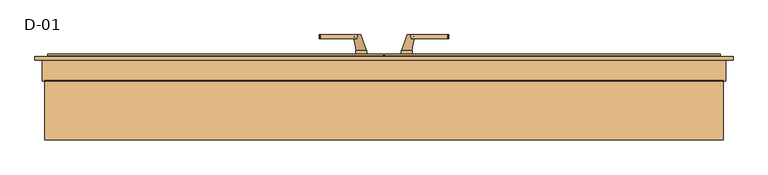
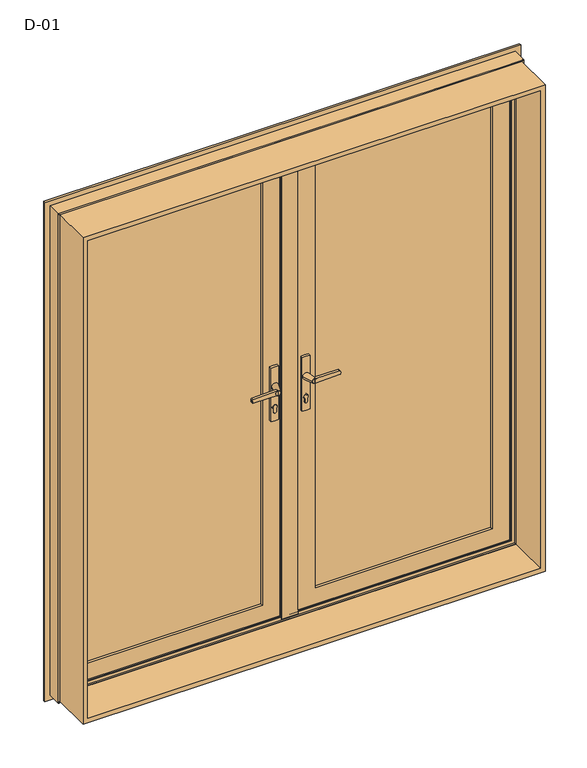
"""IFC4 building model written with IfcOpenShell, lengths in millimetres: door geometry, D-01."""

from ifc_helpers import new_model, si_unit, point, frame, frame_2d, origin, place, context, project, spatial, polyline, circle_curve, ellipse_curve, trimmed, segment, composite_curve, outline, extrude, faceted_brep, source, transform, mapped, element, save
from ifc_brep_helpers import plane_surface, cylinder_surface, revolved_surface, spline_surface, advanced_brep


def d_01_15fbf837(model_context):
    return source(origin(), model_context, "Body", "SolidModel", [
        extrude(outline(polyline([(799.0, 81.0), (89.4409666, 81.0), (89.4409666, 107.0), (799.0, 107.0), (799.0, 81.0)])), frame((0.0, 0.0, 101.0), z_axis=(0.0, 0.0, 1.0), x_axis=(1.0, 0.0, 0.0)), (0.0, 0.0, 1.0), 1798.0),
        extrude(outline(polyline([(1993.8, 893.8), (1993.8, -893.8), (6.2, -893.8), (6.2, 893.8), (1993.8, 893.8)]), holes=[polyline([(24.7, 875.3), (24.7, -875.3), (1975.3, -875.3), (1975.3, 875.3), (24.7, 875.3)])]), frame((0.0, -100.0, 0.0), z_axis=(0.0, 1.0, 0.0), x_axis=(0.0, 0.0, 1.0)), (0.0, 0.0, 1.0), 165.9999813),
        extrude(outline(polyline([(-89.50001, 81.0), (-799.0, 81.0), (-799.0, 107.0), (-89.50001, 107.0), (-89.50001, 81.0)])), frame((0.0, 0.0, 101.0), z_axis=(0.0, 0.0, 1.0), x_axis=(1.0, 0.0, 0.0)), (0.0, 0.0, 1.0), 1798.0),
        advanced_brep(
        [(786.0, 114.7230026, 1886.0), (786.0, 114.7230026, 114.0), (783.8575034, 107.3929004, 116.1424966), (783.8575034, 107.3929004, 1883.8575034), (786.0, 126.0000928, 1886.0), (786.0, 126.0000928, 114.0), (806.0, 107.3929004, 1906.0), (806.0, 107.3929004, 94.0), (806.0, 126.0000928, 94.0), (806.0, 126.0000928, 1906.0), (102.4704883, 114.7230026, 114.0), (104.6129848, 107.3929004, 116.1424966), (102.4704883, 126.0000928, 114.0), (82.4704883, 107.3929004, 94.0), (82.4704883, 126.0000928, 94.0), (102.4704883, 114.7230026, 1886.0), (104.6129848, 107.3929004, 1883.8575034), (102.4704883, 126.0000928, 1886.0), (82.4704883, 107.3929004, 1906.0), (82.4704883, 126.0000928, 1906.0)],
        [
            (0, 1),
            (1, 2, ellipse_curve(frame((766.3925883, 116.4758386, 133.6074117), z_axis=(-0.7071067811865475, 0.0, -0.7071067811865475), x_axis=(0.7071067811865474, 0.0, -0.7071067811865476)), 27.839649, 19.6856046)),
            (2, 3),
            (3, 0, ellipse_curve(frame((766.3925883, 116.4758386, 1866.3925883), z_axis=(-0.7071067811865475, 0.0, 0.7071067811865475), x_axis=(-0.7071067811865474, 0.0, -0.7071067811865476)), 27.839649, 19.6856046)),
            (4, 5),
            (5, 1),
            (0, 4),
            (6, 7),
            (7, 8),
            (8, 9),
            (9, 6),
            (1, 10),
            (10, 11, ellipse_curve(frame((122.0779, 116.4758386, 133.6074117), z_axis=(-0.7071067811865475, 0.0, 0.7071067811865475), x_axis=(-0.7071067811865476, 0.0, -0.7071067811865474)), 27.839649, 19.6856046)),
            (11, 2),
            (5, 12),
            (12, 10),
            (7, 13),
            (13, 14),
            (14, 8),
            (10, 15),
            (15, 16, ellipse_curve(frame((122.0779, 116.4758386, 1866.3925883), z_axis=(0.7071067811865475, 0.0, 0.7071067811865475), x_axis=(-0.7071067811865474, 0.0, 0.7071067811865476)), 27.839649, 19.6856046)),
            (16, 11),
            (12, 17),
            (17, 15),
            (13, 18),
            (18, 19),
            (19, 14),
            (6, 18),
            (16, 3),
            (15, 0),
            (17, 4),
            (19, 9),
        ],
        [
            revolved_surface(polyline([(786.0781929000001, 116.4758386, 113.92180710624666), (786.0781929000001, 116.4758386, 1886.0781928937533)]), (766.3925883, 116.4758386, 1906.0), (0.0, 0.0, -1.0)),
            plane_surface(frame((786.0, 114.7230026, 1886.0), z_axis=(-1.0, 0.0, 0.0), x_axis=(0.0, 0.0, -1.0))),
            plane_surface(frame((806.0, 126.0000928, 1906.0), z_axis=(1.0, 0.0, 0.0), x_axis=(0.0, 0.0, -1.0))),
            revolved_surface(polyline([(102.39229540624672, 116.4758386, 113.9218071), (786.0781928937533, 116.4758386, 113.9218071)]), (806.0, 116.4758386, 133.6074117), (-1.0, 0.0, 0.0)),
            plane_surface(frame((786.0, 114.7230026, 114.0), z_axis=(0.0, 0.0, 1.0), x_axis=(-1.0, 0.0, 0.0))),
            plane_surface(frame((806.0, 126.0000928, 94.0), z_axis=(0.0, 0.0, -1.0), x_axis=(-1.0, 0.0, 0.0))),
            revolved_surface(polyline([(102.3922954, 116.4758386, 1886.0781928937533), (102.3922954, 116.4758386, 113.92180710624672)]), (122.0779, 116.4758386, 94.0), (0.0, 0.0, 1.0)),
            plane_surface(frame((102.4704883, 114.7230026, 114.0), z_axis=(1.0, 0.0, 0.0), x_axis=(0.0, 0.0, 1.0))),
            plane_surface(frame((82.4704883, 126.0000928, 94.0), z_axis=(-1.0, 0.0, 0.0), x_axis=(0.0, 0.0, 1.0))),
            plane_surface(frame((82.4704883, 107.3929004, 1906.0), z_axis=(0.0, -1.0, 0.0), x_axis=(1.0, 0.0, 0.0))),
            revolved_surface(polyline([(786.0781928937533, 116.4758386, 1886.0781929), (102.39229540624672, 116.4758386, 1886.0781929)]), (82.4704883, 116.4758386, 1866.3925883), (1.0, 0.0, 0.0)),
            plane_surface(frame((102.4704883, 114.7230026, 1886.0), z_axis=(0.0, 0.0, -1.0), x_axis=(1.0, 0.0, 0.0))),
            plane_surface(frame((102.4704883, 126.0000928, 1886.0), z_axis=(0.0, 1.0, 0.0), x_axis=(1.0, 0.0, 0.0))),
            plane_surface(frame((82.4704883, 126.0000928, 1906.0), z_axis=(0.0, 0.0, 1.0), x_axis=(1.0, 0.0, 0.0))),
        ],
        [
            (0, [[1, 2, 3, 4]]),
            (1, [[5, 6, -1, 7]]),
            (2, [[8, 9, 10, 11]]),
            (3, [[12, 13, 14, -2]]),
            (4, [[15, 16, -12, -6]]),
            (5, [[17, 18, 19, -9]]),
            (6, [[20, 21, 22, -13]]),
            (7, [[23, 24, -20, -16]]),
            (8, [[25, 26, 27, -18]]),
            (9, [[-8, 28, -25, -17], [-3, -14, -22, 29]]),
            (10, [[30, -4, -29, -21]]),
            (11, [[31, -7, -30, -24]]),
            (12, [[-10, -19, -27, 32], [-5, -31, -23, -15]]),
            (13, [[-28, -11, -32, -26]]),
        ],
    ),
        extrude(outline(composite_curve([segment(polyline([(895.7, 64.970481), (908.3261365, 64.970481)]), True, "CONTINUOUS"), segment(trimmed(circle_curve(frame_2d((915.2, 59.970481)), 8.5), [point((908.3261365, 64.970481))], [point((908.3261365, 54.970481))], False, "CARTESIAN"), True, "CONTINUOUS"), segment(polyline([(908.3261365, 54.970481), (895.7, 54.970481)]), True, "CONTINUOUS"), segment(trimmed(circle_curve(frame_2d((895.7, 59.970481)), 5.0), [point((895.7, 54.970481))], [point((895.7, 64.970481))], False, "CARTESIAN"), True, "CONTINUOUS")], self_intersect=False)), frame((0.0, 58.0000848, 0.0), z_axis=(0.0, 1.0, 0.0), x_axis=(0.0, 0.0, 1.0)), (0.0, 0.0, 1.0), 11.0),
        extrude(outline(composite_curve([segment(trimmed(circle_curve(frame_2d((956.1155661, 59.970481)), 97.2636214), [point((860.0, 45.070481))], [point((860.0, 74.870481))], False, "CARTESIAN"), True, "CONTINUOUS"), segment(polyline([(860.0, 74.870481), (1078.5, 74.870481)]), True, "CONTINUOUS"), segment(trimmed(circle_curve(frame_2d((982.3844339, 59.970481)), 97.2636214), [point((1078.5, 74.870481))], [point((1078.5, 45.070481))], False, "CARTESIAN"), True, "CONTINUOUS"), segment(polyline([(1078.5, 45.070481), (860.0, 45.070481)]), True, "CONTINUOUS")], self_intersect=False), holes=[composite_curve([segment(polyline([(895.7, 54.970481), (908.3261365, 54.970481)]), True, "CONTINUOUS"), segment(trimmed(circle_curve(frame_2d((915.2, 59.970481)), 8.5), [point((908.3261365, 54.970481))], [point((908.3261365, 64.970481))], True, "CARTESIAN"), True, "CONTINUOUS"), segment(polyline([(908.3261365, 64.970481), (895.7, 64.970481)]), True, "CONTINUOUS"), segment(trimmed(circle_curve(frame_2d((895.7, 59.970481)), 5.0), [point((895.7, 64.970481))], [point((895.7, 54.970481))], True, "CARTESIAN"), True, "CONTINUOUS")], self_intersect=False)]), frame((0.0, 59.0000848, 0.0), z_axis=(0.0, 1.0, 0.0), x_axis=(0.0, 0.0, 1.0)), (0.0, 0.0, 1.0), 10.0),
        extrude(outline(composite_curve([segment(polyline([(1009.5, 70.970481), (990.5, 70.970481), (993.0308731, 167.6206253)]), True, "CONTINUOUS"), segment(trimmed(circle_curve(frame_2d((995.0301877, 167.5682714)), 2.0), [point((993.0308731, 167.6206253))], [point((994.5125497, 169.5001231))], False, "CARTESIAN"), True, "CONTINUOUS"), segment(polyline([(994.5125497, 169.5001231), (1000.0, 170.970481), (1005.4874503, 169.5001231)]), True, "CONTINUOUS"), segment(trimmed(circle_curve(frame_2d((1004.9698123, 167.5682714)), 2.0), [point((1005.4874503, 169.5001231))], [point((1006.9691269, 167.6206253))], False, "CARTESIAN"), True, "CONTINUOUS"), segment(polyline([(1006.9691269, 167.6206253), (1009.5, 70.970481)]), True, "CONTINUOUS")], self_intersect=False)), frame((0.0, 18.0000848, 0.0), z_axis=(0.0, 1.0, 0.0), x_axis=(0.0, 0.0, 1.0)), (0.0, 0.0, 1.0), 10.0),
        advanced_brep(
        [(61.470481, 18.0000848, 1000.0), (80.470481, 18.0000848, 1000.0), (46.570481, 59.0000848, 1000.0), (73.370481, 59.0000848, 1000.0)],
        [
            (0, 1, circle_curve(frame((70.970481, 18.0000848, 1000.0), z_axis=(0.0, -1.0, 0.0), x_axis=(1.0, 0.0, 0.0)), 9.5)),
            (1, 0, circle_curve(frame((70.970481, 18.0000848, 1000.0), z_axis=(0.0, -1.0, 0.0), x_axis=(1.0, 0.0, 0.0)), 9.5)),
            (2, 3, circle_curve(frame((59.970481, 59.0000848, 1000.0), z_axis=(0.0, 1.0, 0.0), x_axis=(1.0, 0.0, 0.0)), 13.4)),
            (3, 2, circle_curve(frame((59.970481, 59.0000848, 1000.0), z_axis=(0.0, 1.0, 0.0), x_axis=(1.0, 0.0, 0.0)), 13.4)),
            (3, 1),
            (0, 2),
        ],
        [
            plane_surface(frame((70.970481, 18.0000848, 1000.0), z_axis=(0.0, -1.0, 0.0), x_axis=(0.0, 0.0, -1.0))),
            plane_surface(frame((59.970481, 59.0000848, 1000.0), z_axis=(0.0, 1.0, 0.0), x_axis=(0.0, 0.0, -1.0))),
            spline_surface(2, 1, [[(46.570481, 59.0000848, 1000.0), (61.470481, 18.0000848, 1000.0)], [(46.570481, 59.0000848, 986.6), (61.470481, 18.0000848, 990.5)], [(59.970481, 59.0000848, 986.6), (70.970481, 18.0000848, 990.5)], [(73.370481, 59.0000848, 986.6), (80.470481, 18.0000848, 990.5)], [(73.370481, 59.0000848, 1000.0), (80.470481, 18.0000848, 1000.0)]], [3, 2, 3], [2, 2], [0.0, 1.0, 2.0], [0.0, 1.0], weights=[[1.0, 1.0], [0.7071067811865476, 0.7071067811865476], [1.0, 1.0], [0.7071067811865476, 0.7071067811865476], [1.0, 1.0]]),
            spline_surface(2, 1, [[(73.370481, 59.0000848, 1000.0), (80.470481, 18.0000848, 1000.0)], [(73.370481, 59.0000848, 1013.4), (80.470481, 18.0000848, 1009.5)], [(59.970481, 59.0000848, 1013.4), (70.970481, 18.0000848, 1009.5)], [(46.570481, 59.0000848, 1013.4), (61.47048100000001, 18.0000848, 1009.5)], [(46.570481, 59.0000848, 1000.0), (61.470481, 18.0000848, 1000.0)]], [3, 2, 3], [2, 2], [0.0, 1.0, 2.0], [0.0, 1.0], weights=[[1.0, 1.0], [0.7071067811865476, 0.7071067811865476], [1.0, 1.0], [0.7071067811865476, 0.7071067811865476], [1.0, 1.0]]),
        ],
        [
            (0, [[1, 2]]),
            (1, [[3, 4]]),
            (2, [[-4, 5, -1, 6]]),
            (3, [[-3, -6, -2, -5]]),
        ],
    ),
        extrude(outline(composite_curve([segment(polyline([(895.7, 64.970481), (908.3261365, 64.970481)]), True, "CONTINUOUS"), segment(trimmed(circle_curve(frame_2d((915.2, 59.970481)), 8.5), [point((908.3261365, 64.970481))], [point((908.3261365, 54.970481))], False, "CARTESIAN"), True, "CONTINUOUS"), segment(polyline([(908.3261365, 54.970481), (895.7, 54.970481)]), True, "CONTINUOUS"), segment(trimmed(circle_curve(frame_2d((895.7, 59.970481)), 5.0), [point((895.7, 54.970481))], [point((895.7, 64.970481))], False, "CARTESIAN"), True, "CONTINUOUS")], self_intersect=False)), frame((0.0, 126.0000927, 0.0), z_axis=(0.0, 1.0, 0.0), x_axis=(0.0, 0.0, 1.0)), (0.0, 0.0, 1.0), 11.0),
        extrude(outline(composite_curve([segment(trimmed(circle_curve(frame_2d((956.1155661, 59.970481)), 97.2636214), [point((860.0, 45.070481))], [point((860.0, 74.870481))], False, "CARTESIAN"), True, "CONTINUOUS"), segment(polyline([(860.0, 74.870481), (1078.5, 74.870481)]), True, "CONTINUOUS"), segment(trimmed(circle_curve(frame_2d((982.3844339, 59.970481)), 97.2636214), [point((1078.5, 74.870481))], [point((1078.5, 45.070481))], False, "CARTESIAN"), True, "CONTINUOUS"), segment(polyline([(1078.5, 45.070481), (860.0, 45.070481)]), True, "CONTINUOUS")], self_intersect=False), holes=[composite_curve([segment(polyline([(895.7, 54.970481), (908.3261365, 54.970481)]), True, "CONTINUOUS"), segment(trimmed(circle_curve(frame_2d((915.2, 59.970481)), 8.5), [point((908.3261365, 54.970481))], [point((908.3261365, 64.970481))], True, "CARTESIAN"), True, "CONTINUOUS"), segment(polyline([(908.3261365, 64.970481), (895.7, 64.970481)]), True, "CONTINUOUS"), segment(trimmed(circle_curve(frame_2d((895.7, 59.970481)), 5.0), [point((895.7, 64.970481))], [point((895.7, 54.970481))], True, "CARTESIAN"), True, "CONTINUOUS")], self_intersect=False)]), frame((0.0, 126.0000927, 0.0), z_axis=(0.0, 1.0, 0.0), x_axis=(0.0, 0.0, 1.0)), (0.0, 0.0, 1.0), 10.0),
        extrude(outline(composite_curve([segment(polyline([(1009.5, 70.970481), (990.5, 70.970481), (993.0308731, 167.6206253)]), True, "CONTINUOUS"), segment(trimmed(circle_curve(frame_2d((995.0301877, 167.5682714)), 2.0), [point((993.0308731, 167.6206253))], [point((994.5125497, 169.5001231))], False, "CARTESIAN"), True, "CONTINUOUS"), segment(polyline([(994.5125497, 169.5001231), (1000.0, 170.970481), (1005.4874503, 169.5001231)]), True, "CONTINUOUS"), segment(trimmed(circle_curve(frame_2d((1004.9698123, 167.5682714)), 2.0), [point((1005.4874503, 169.5001231))], [point((1006.9691269, 167.6206253))], False, "CARTESIAN"), True, "CONTINUOUS"), segment(polyline([(1006.9691269, 167.6206253), (1009.5, 70.970481)]), True, "CONTINUOUS")], self_intersect=False)), frame((0.0, 167.0000927, 0.0), z_axis=(0.0, 1.0, 0.0), x_axis=(0.0, 0.0, 1.0)), (0.0, 0.0, 1.0), 10.0),
        advanced_brep(
        [(61.470481, 177.0000927, 1000.0), (80.470481, 177.0000927, 1000.0), (46.570481, 136.0000927, 1000.0), (73.370481, 136.0000927, 1000.0)],
        [
            (0, 1, circle_curve(frame((70.970481, 177.0000927, 1000.0), z_axis=(0.0, 1.0, 0.0), x_axis=(1.0, 0.0, 0.0)), 9.5)),
            (1, 0, circle_curve(frame((70.970481, 177.0000927, 1000.0), z_axis=(0.0, 1.0, 0.0), x_axis=(1.0, 0.0, 0.0)), 9.5)),
            (2, 3, circle_curve(frame((59.970481, 136.0000927, 1000.0), z_axis=(0.0, -1.0, 0.0), x_axis=(1.0, 0.0, 0.0)), 13.4)),
            (3, 2, circle_curve(frame((59.970481, 136.0000927, 1000.0), z_axis=(0.0, -1.0, 0.0), x_axis=(1.0, 0.0, 0.0)), 13.4)),
            (2, 0),
            (1, 3),
        ],
        [
            plane_surface(frame((70.970481, 177.0000927, 1000.0), z_axis=(0.0, 1.0, 0.0), x_axis=(0.0, 0.0, -1.0))),
            plane_surface(frame((59.970481, 136.0000927, 1000.0), z_axis=(0.0, -1.0, 0.0), x_axis=(0.0, 0.0, -1.0))),
            spline_surface(1, 2, [[(46.570481, 136.0000927, 1000.0), (46.570481, 136.0000927, 986.6), (59.970481, 136.0000927, 986.6), (73.370481, 136.0000927, 986.6), (73.370481, 136.0000927, 1000.0)], [(61.470481, 177.0000927, 1000.0), (61.470481, 177.0000927, 990.5), (70.970481, 177.0000927, 990.5), (80.470481, 177.0000927, 990.5), (80.470481, 177.0000927, 1000.0)]], [2, 2], [3, 2, 3], [0.0, 1.0], [0.0, 1.0, 2.0], weights=[[1.0, 0.7071067811865476, 1.0, 0.7071067811865476, 1.0], [1.0, 0.7071067811865476, 1.0, 0.7071067811865476, 1.0]]),
            spline_surface(1, 2, [[(73.370481, 136.0000927, 1000.0), (73.370481, 136.0000927, 1013.4), (59.970481, 136.0000927, 1013.4), (46.570481, 136.0000927, 1013.4), (46.570481, 136.0000927, 1000.0)], [(80.470481, 177.0000927, 1000.0), (80.470481, 177.0000927, 1009.5), (70.970481, 177.0000927, 1009.5), (61.47048100000001, 177.0000927, 1009.5), (61.470481, 177.0000927, 1000.0)]], [2, 2], [3, 2, 3], [0.0, 1.0], [0.0, 1.0, 2.0], weights=[[1.0, 0.7071067811865476, 1.0, 0.7071067811865476, 1.0], [1.0, 0.7071067811865476, 1.0, 0.7071067811865476, 1.0]]),
        ],
        [
            (0, [[1, 2]]),
            (1, [[3, 4]]),
            (2, [[5, -2, 6, -3]]),
            (3, [[-6, -1, -5, -4]]),
        ],
    ),
        faceted_brep([(886.029509, 122.4000726, 1986.029509), (886.029509, 122.4000726, 13.970491), (886.029509, 126.0000927, 13.970491), (886.029509, 126.0000927, 1986.029509), (2.470491, 126.0000927, 1986.029509), (2.470491, 126.0000927, 13.970491), (806.0295117, 126.0000927, 1906.0295117), (82.4704883, 126.0000927, 1906.0295117), (82.4704883, 126.0000927, 93.9704883), (806.0295117, 126.0000927, 93.9704883), (2.470491, 122.4000726, 13.970491), (2.470491, 122.4000726, 1986.029509), (19.970481, 122.4000726, 1968.529519), (868.529519, 122.4000726, 1968.529519), (868.529519, 122.4000726, 31.470481), (19.970481, 122.4000726, 31.470481), (868.529519, 75.9989223, 1968.529519), (868.529519, 75.9989223, 31.470481), (19.970481, 75.9989223, 31.470481), (19.970481, 75.9989223, 1968.529519), (35.4647842, 75.9989223, 1953.0352158), (853.0352158, 75.9989223, 1953.0352158), (853.0352158, 75.9989223, 46.9647842), (35.4647842, 75.9989223, 46.9647842), (853.0352158, 69.0000848, 1953.0352158), (853.0352158, 69.0000848, 46.9647842), (35.4647842, 69.0000848, 46.9647842), (35.4647842, 69.0000848, 1953.0352158), (102.4699136, 69.0000848, 1886.0300864), (786.0300864, 69.0000848, 1886.0300864), (786.0300864, 69.0000848, 113.9699136), (102.4699136, 69.0000848, 113.9699136), (786.0300864, 79.598921, 1886.0300864), (786.0300864, 79.598921, 113.9699136), (102.4699136, 79.598921, 113.9699136), (82.4704883, 79.598921, 1906.0295117), (806.0295117, 79.598921, 1906.0295117), (806.0295117, 79.598921, 93.9704883), (82.4704883, 79.598921, 93.9704883), (102.4699136, 79.598921, 1886.0300864)], [[[0, 1, 2, 3]], [[4, 3, 2, 5], [6, 7, 8, 9]], [[1, 10, 5, 2]], [[0, 11, 10, 1], [12, 13, 14, 15]], [[16, 17, 14, 13]], [[17, 18, 15, 14]], [[16, 19, 18, 17], [20, 21, 22, 23]], [[24, 25, 22, 21]], [[25, 26, 23, 22]], [[24, 27, 26, 25], [28, 29, 30, 31]], [[32, 33, 30, 29]], [[33, 34, 31, 30]], [[35, 36, 37, 38], [32, 39, 34, 33]], [[6, 9, 37, 36]], [[9, 8, 38, 37]], [[10, 11, 4, 5]], [[18, 19, 12, 15]], [[26, 27, 20, 23]], [[34, 39, 28, 31]], [[8, 7, 35, 38]], [[11, 0, 3, 4]], [[19, 16, 13, 12]], [[27, 24, 21, 20]], [[39, 32, 29, 28]], [[7, 6, 36, 35]]]),
        extrude(outline(polyline([(-28.4962639, 68.9989893), (-28.4962639, 72.5989893), (-15.2962639, 72.5989893), (-15.2962639, 81.6999341), (-8.4962639, 81.6999341), (-8.4962639, 118.9999096), (2.5075939, 118.9999096), (2.5075939, 122.1998218), (19.8037267, 122.1998218), (19.8037267, 75.5998975), (35.6037419, 75.5998975), (35.6037419, 68.9989893), (-28.4962639, 68.9989893)])), frame((0.0, 0.0, 31.470481), z_axis=(0.0, 0.0, 1.0), x_axis=(1.0, 0.0, 0.0)), (0.0, 0.0, 1.0), 1937.0590381),
        extrude(outline(composite_curve([segment(trimmed(circle_curve(frame_2d((895.7, -60.0)), 5.0), [point((895.7, -65.0))], [point((895.7, -55.0))], False, "CARTESIAN"), True, "CONTINUOUS"), segment(polyline([(895.7, -55.0), (908.3261365, -55.0)]), True, "CONTINUOUS"), segment(trimmed(circle_curve(frame_2d((915.2, -60.0)), 8.5), [point((908.3261365, -55.0))], [point((908.3261365, -65.0))], False, "CARTESIAN"), True, "CONTINUOUS"), segment(polyline([(908.3261365, -65.0), (895.7, -65.0)]), True, "CONTINUOUS")], self_intersect=False)), frame((0.0, 58.0000848, 0.0), z_axis=(0.0, 1.0, 0.0), x_axis=(0.0, 0.0, 1.0)), (0.0, 0.0, 1.0), 11.0),
        extrude(outline(composite_curve([segment(polyline([(860.0, -45.1), (1078.5, -45.1)]), True, "CONTINUOUS"), segment(trimmed(circle_curve(frame_2d((982.3844339, -60.0)), 97.2636214), [point((1078.5, -45.1))], [point((1078.5, -74.9))], False, "CARTESIAN"), True, "CONTINUOUS"), segment(polyline([(1078.5, -74.9), (860.0, -74.9)]), True, "CONTINUOUS"), segment(trimmed(circle_curve(frame_2d((956.1155661, -60.0)), 97.2636214), [point((860.0, -74.9))], [point((860.0, -45.1))], False, "CARTESIAN"), True, "CONTINUOUS")], self_intersect=False), holes=[composite_curve([segment(trimmed(circle_curve(frame_2d((895.7, -60.0)), 5.0), [point((895.7, -55.0))], [point((895.7, -65.0))], True, "CARTESIAN"), True, "CONTINUOUS"), segment(polyline([(895.7, -65.0), (908.3261365, -65.0)]), True, "CONTINUOUS"), segment(trimmed(circle_curve(frame_2d((915.2, -60.0)), 8.5), [point((908.3261365, -65.0))], [point((908.3261365, -55.0))], True, "CARTESIAN"), True, "CONTINUOUS"), segment(polyline([(908.3261365, -55.0), (895.7, -55.0)]), True, "CONTINUOUS")], self_intersect=False)]), frame((0.0, 59.0000848, 0.0), z_axis=(0.0, 1.0, 0.0), x_axis=(0.0, 0.0, 1.0)), (0.0, 0.0, 1.0), 10.0),
        extrude(outline(composite_curve([segment(polyline([(1009.5, -71.0), (1006.9691269, -167.6501444)]), True, "CONTINUOUS"), segment(trimmed(circle_curve(frame_2d((1004.9698123, -167.5977905)), 2.0), [point((1006.9691269, -167.6501444))], [point((1005.4874503, -169.5296421))], False, "CARTESIAN"), True, "CONTINUOUS"), segment(polyline([(1005.4874503, -169.5296421), (1000.0, -171.0), (994.5125497, -169.5296421)]), True, "CONTINUOUS"), segment(trimmed(circle_curve(frame_2d((995.0301877, -167.5977905)), 2.0), [point((994.5125497, -169.5296421))], [point((993.0308731, -167.6501444))], False, "CARTESIAN"), True, "CONTINUOUS"), segment(polyline([(993.0308731, -167.6501444), (990.5, -71.0), (1009.5, -71.0)]), True, "CONTINUOUS")], self_intersect=False)), frame((0.0, 18.0000848, 0.0), z_axis=(0.0, 1.0, 0.0), x_axis=(0.0, 0.0, 1.0)), (0.0, 0.0, 1.0), 10.0),
        advanced_brep(
        [(-61.5, 18.0000848, 1000.0), (-80.5, 18.0000848, 1000.0), (-46.6, 59.0000848, 1000.0), (-73.4, 59.0000848, 1000.0)],
        [
            (0, 1, circle_curve(frame((-71.0, 18.0000848, 1000.0), z_axis=(0.0, -1.0, 0.0), x_axis=(-1.0, 0.0, 0.0)), 9.5)),
            (1, 0, circle_curve(frame((-71.0, 18.0000848, 1000.0), z_axis=(0.0, -1.0, 0.0), x_axis=(-1.0, 0.0, 0.0)), 9.5)),
            (2, 3, circle_curve(frame((-60.0, 59.0000848, 1000.0), z_axis=(0.0, 1.0, 0.0), x_axis=(-1.0, 0.0, 0.0)), 13.4)),
            (3, 2, circle_curve(frame((-60.0, 59.0000848, 1000.0), z_axis=(0.0, 1.0, 0.0), x_axis=(-1.0, 0.0, 0.0)), 13.4)),
            (2, 0),
            (1, 3),
        ],
        [
            plane_surface(frame((-71.0, 18.0000848, 1000.0), z_axis=(0.0, -1.0, 0.0), x_axis=(0.0, 0.0, -1.0))),
            plane_surface(frame((-60.0, 59.0000848, 1000.0), z_axis=(0.0, 1.0, 0.0), x_axis=(0.0, 0.0, -1.0))),
            spline_surface(1, 2, [[(-46.6, 59.0000848, 1000.0), (-46.6, 59.0000848, 986.6), (-60.0, 59.0000848, 986.6), (-73.4, 59.0000848, 986.6), (-73.4, 59.0000848, 1000.0)], [(-61.5, 18.0000848, 1000.0), (-61.5, 18.0000848, 990.5), (-71.0, 18.0000848, 990.5), (-80.5, 18.0000848, 990.5), (-80.5, 18.0000848, 1000.0)]], [2, 2], [3, 2, 3], [0.0, 1.0], [0.0, 1.0, 2.0], weights=[[1.0, 0.7071067811865476, 1.0, 0.7071067811865477, 1.0], [1.0, 0.7071067811865476, 1.0, 0.7071067811865477, 1.0]]),
            spline_surface(1, 2, [[(-73.4, 59.0000848, 1000.0), (-73.4, 59.0000848, 1013.4), (-60.0, 59.0000848, 1013.4), (-46.599999999999994, 59.0000848, 1013.4), (-46.6, 59.0000848, 1000.0)], [(-80.5, 18.0000848, 1000.0), (-80.5, 18.0000848, 1009.5), (-71.0, 18.0000848, 1009.5), (-61.5, 18.0000848, 1009.5), (-61.5, 18.0000848, 1000.0)]], [2, 2], [3, 2, 3], [0.0, 1.0], [0.0, 1.0, 2.0], weights=[[1.0, 0.7071067811865476, 1.0, 0.7071067811865474, 1.0], [1.0, 0.7071067811865476, 1.0, 0.7071067811865474, 1.0]]),
        ],
        [
            (0, [[1, 2]]),
            (1, [[3, 4]]),
            (2, [[5, -2, 6, -3]]),
            (3, [[-6, -1, -5, -4]]),
        ],
    ),
        extrude(outline(composite_curve([segment(trimmed(circle_curve(frame_2d((895.7, -60.0)), 5.0), [point((895.7, -65.0))], [point((895.7, -55.0))], False, "CARTESIAN"), True, "CONTINUOUS"), segment(polyline([(895.7, -55.0), (908.3261365, -55.0)]), True, "CONTINUOUS"), segment(trimmed(circle_curve(frame_2d((915.2, -60.0)), 8.5), [point((908.3261365, -55.0))], [point((908.3261365, -65.0))], False, "CARTESIAN"), True, "CONTINUOUS"), segment(polyline([(908.3261365, -65.0), (895.7, -65.0)]), True, "CONTINUOUS")], self_intersect=False)), frame((0.0, 126.0000927, 0.0), z_axis=(0.0, 1.0, 0.0), x_axis=(0.0, 0.0, 1.0)), (0.0, 0.0, 1.0), 11.0),
        extrude(outline(composite_curve([segment(polyline([(860.0, -45.1), (1078.5, -45.1)]), True, "CONTINUOUS"), segment(trimmed(circle_curve(frame_2d((982.3844339, -60.0)), 97.2636214), [point((1078.5, -45.1))], [point((1078.5, -74.9))], False, "CARTESIAN"), True, "CONTINUOUS"), segment(polyline([(1078.5, -74.9), (860.0, -74.9)]), True, "CONTINUOUS"), segment(trimmed(circle_curve(frame_2d((956.1155661, -60.0)), 97.2636214), [point((860.0, -74.9))], [point((860.0, -45.1))], False, "CARTESIAN"), True, "CONTINUOUS")], self_intersect=False), holes=[composite_curve([segment(trimmed(circle_curve(frame_2d((895.7, -60.0)), 5.0), [point((895.7, -55.0))], [point((895.7, -65.0))], True, "CARTESIAN"), True, "CONTINUOUS"), segment(polyline([(895.7, -65.0), (908.3261365, -65.0)]), True, "CONTINUOUS"), segment(trimmed(circle_curve(frame_2d((915.2, -60.0)), 8.5), [point((908.3261365, -65.0))], [point((908.3261365, -55.0))], True, "CARTESIAN"), True, "CONTINUOUS"), segment(polyline([(908.3261365, -55.0), (895.7, -55.0)]), True, "CONTINUOUS")], self_intersect=False)]), frame((0.0, 126.0000927, 0.0), z_axis=(0.0, 1.0, 0.0), x_axis=(0.0, 0.0, 1.0)), (0.0, 0.0, 1.0), 10.0),
        extrude(outline(composite_curve([segment(polyline([(1009.5, -71.0), (1006.9691269, -167.6501444)]), True, "CONTINUOUS"), segment(trimmed(circle_curve(frame_2d((1004.9698123, -167.5977905)), 2.0), [point((1006.9691269, -167.6501444))], [point((1005.4874503, -169.5296421))], False, "CARTESIAN"), True, "CONTINUOUS"), segment(polyline([(1005.4874503, -169.5296421), (1000.0, -171.0), (994.5125497, -169.5296421)]), True, "CONTINUOUS"), segment(trimmed(circle_curve(frame_2d((995.0301877, -167.5977905)), 2.0), [point((994.5125497, -169.5296421))], [point((993.0308731, -167.6501444))], False, "CARTESIAN"), True, "CONTINUOUS"), segment(polyline([(993.0308731, -167.6501444), (990.5, -71.0), (1009.5, -71.0)]), True, "CONTINUOUS")], self_intersect=False)), frame((0.0, 167.0000927, 0.0), z_axis=(0.0, 1.0, 0.0), x_axis=(0.0, 0.0, 1.0)), (0.0, 0.0, 1.0), 10.0),
        advanced_brep(
        [(-61.5, 177.0000927, 1000.0), (-80.5, 177.0000927, 1000.0), (-46.6, 136.0000927, 1000.0), (-73.4, 136.0000927, 1000.0)],
        [
            (0, 1, circle_curve(frame((-71.0, 177.0000927, 1000.0), z_axis=(0.0, 1.0, 0.0), x_axis=(-1.0, 0.0, 0.0)), 9.5)),
            (1, 0, circle_curve(frame((-71.0, 177.0000927, 1000.0), z_axis=(0.0, 1.0, 0.0), x_axis=(-1.0, 0.0, 0.0)), 9.5)),
            (2, 3, circle_curve(frame((-60.0, 136.0000927, 1000.0), z_axis=(0.0, -1.0, 0.0), x_axis=(-1.0, 0.0, 0.0)), 13.4)),
            (3, 2, circle_curve(frame((-60.0, 136.0000927, 1000.0), z_axis=(0.0, -1.0, 0.0), x_axis=(-1.0, 0.0, 0.0)), 13.4)),
            (3, 1),
            (0, 2),
        ],
        [
            plane_surface(frame((-71.0, 177.0000927, 1000.0), z_axis=(0.0, 1.0, 0.0), x_axis=(0.0, 0.0, -1.0))),
            plane_surface(frame((-60.0, 136.0000927, 1000.0), z_axis=(0.0, -1.0, 0.0), x_axis=(0.0, 0.0, -1.0))),
            spline_surface(2, 1, [[(-46.6, 136.0000927, 1000.0), (-61.5, 177.0000927, 1000.0)], [(-46.6, 136.0000927, 986.6), (-61.5, 177.0000927, 990.5)], [(-60.0, 136.0000927, 986.6), (-71.0, 177.0000927, 990.5)], [(-73.4, 136.0000927, 986.6), (-80.5, 177.0000927, 990.5)], [(-73.4, 136.0000927, 1000.0), (-80.5, 177.0000927, 1000.0)]], [3, 2, 3], [2, 2], [0.0, 1.0, 2.0], [0.0, 1.0], weights=[[1.0, 1.0], [0.7071067811865476, 0.7071067811865476], [1.0, 1.0], [0.7071067811865477, 0.7071067811865477], [1.0, 1.0]]),
            spline_surface(2, 1, [[(-73.4, 136.0000927, 1000.0), (-80.5, 177.0000927, 1000.0)], [(-73.4, 136.0000927, 1013.4), (-80.5, 177.0000927, 1009.5)], [(-60.0, 136.0000927, 1013.4), (-71.0, 177.0000927, 1009.5)], [(-46.599999999999994, 136.0000927, 1013.4), (-61.5, 177.0000927, 1009.5)], [(-46.6, 136.0000927, 1000.0), (-61.5, 177.0000927, 1000.0)]], [3, 2, 3], [2, 2], [0.0, 1.0, 2.0], [0.0, 1.0], weights=[[1.0, 1.0], [0.7071067811865476, 0.7071067811865476], [1.0, 1.0], [0.7071067811865474, 0.7071067811865474], [1.0, 1.0]]),
        ],
        [
            (0, [[1, 2]]),
            (1, [[3, 4]]),
            (2, [[-4, 5, -1, 6]]),
            (3, [[-3, -6, -2, -5]]),
        ],
    ),
        faceted_brep([(-2.470491, 122.4000726, 1986.029509), (-2.470491, 122.4000726, 13.970491), (-2.470491, 126.0000927, 13.970491), (-2.470491, 126.0000927, 1986.029509), (-886.029509, 126.0000927, 1986.029509), (-886.029509, 126.0000927, 13.970491), (-82.4704883, 126.0000927, 1906.0295117), (-806.0295117, 126.0000927, 1906.0295117), (-806.0295117, 126.0000927, 93.9704883), (-82.4704883, 126.0000927, 93.9704883), (-886.029509, 122.4000726, 13.970491), (-886.029509, 122.4000726, 1986.029509), (-868.529519, 122.4000726, 1968.529519), (-19.970481, 122.4000726, 1968.529519), (-19.970481, 122.4000726, 31.470481), (-868.529519, 122.4000726, 31.470481), (-19.970481, 75.9989223, 1968.529519), (-19.970481, 75.9989223, 31.470481), (-868.529519, 75.9989223, 31.470481), (-868.529519, 75.9989223, 1968.529519), (-853.0352158, 75.9989223, 1953.0352158), (-35.4647842, 75.9989223, 1953.0352158), (-35.4647842, 75.9989223, 46.9647842), (-853.0352158, 75.9989223, 46.9647842), (-35.4647842, 69.0000848, 1953.0352158), (-35.4647842, 69.0000848, 46.9647842), (-853.0352158, 69.0000848, 46.9647842), (-853.0352158, 69.0000848, 1953.0352158), (-786.0300864, 69.0000848, 1886.0300864), (-102.4699136, 69.0000848, 1886.0300864), (-102.4699136, 69.0000848, 113.9699136), (-786.0300864, 69.0000848, 113.9699136), (-102.4699136, 79.598921, 1886.0300864), (-102.4699136, 79.598921, 113.9699136), (-786.0300864, 79.598921, 113.9699136), (-806.0295117, 79.598921, 1906.0295117), (-82.4704883, 79.598921, 1906.0295117), (-82.4704883, 79.598921, 93.9704883), (-806.0295117, 79.598921, 93.9704883), (-786.0300864, 79.598921, 1886.0300864)], [[[0, 1, 2, 3]], [[4, 3, 2, 5], [6, 7, 8, 9]], [[1, 10, 5, 2]], [[0, 11, 10, 1], [12, 13, 14, 15]], [[16, 17, 14, 13]], [[17, 18, 15, 14]], [[16, 19, 18, 17], [20, 21, 22, 23]], [[24, 25, 22, 21]], [[25, 26, 23, 22]], [[24, 27, 26, 25], [28, 29, 30, 31]], [[32, 33, 30, 29]], [[33, 34, 31, 30]], [[35, 36, 37, 38], [32, 39, 34, 33]], [[6, 9, 37, 36]], [[9, 8, 38, 37]], [[10, 11, 4, 5]], [[18, 19, 12, 15]], [[26, 27, 20, 23]], [[34, 39, 28, 31]], [[8, 7, 35, 38]], [[11, 0, 3, 4]], [[19, 16, 13, 12]], [[27, 24, 21, 20]], [[39, 32, 29, 28]], [[7, 6, 36, 35]]]),
        advanced_brep(
        [(-102.4704883, 114.7230026, 1886.0), (-102.4704883, 114.7230026, 114.0), (-104.6129848, 107.3929004, 116.1424966), (-104.6129848, 107.3929004, 1883.8575034), (-102.4704883, 126.0000928, 1886.0), (-102.4704883, 126.0000928, 114.0), (-82.4704883, 107.3929004, 1906.0), (-82.4704883, 107.3929004, 94.0), (-82.4704883, 126.0000928, 94.0), (-82.4704883, 126.0000928, 1906.0), (-786.0, 114.7230026, 114.0), (-783.8575034, 107.3929004, 116.1424966), (-786.0, 126.0000928, 114.0), (-806.0, 107.3929004, 94.0), (-806.0, 126.0000928, 94.0), (-786.0, 114.7230026, 1886.0), (-783.8575034, 107.3929004, 1883.8575034), (-786.0, 126.0000928, 1886.0), (-806.0, 107.3929004, 1906.0), (-806.0, 126.0000928, 1906.0)],
        [
            (0, 1),
            (1, 2, ellipse_curve(frame((-122.0779, 116.4758386, 133.6074117), z_axis=(-0.7071067811865475, 0.0, -0.7071067811865475), x_axis=(0.7071067811865474, 0.0, -0.7071067811865476)), 27.839649, 19.6856046)),
            (2, 3),
            (3, 0, ellipse_curve(frame((-122.0779, 116.4758386, 1866.3925883), z_axis=(-0.7071067811865475, 0.0, 0.7071067811865475), x_axis=(-0.7071067811865474, 0.0, -0.7071067811865476)), 27.839649, 19.6856046)),
            (4, 5),
            (5, 1),
            (0, 4),
            (6, 7),
            (7, 8),
            (8, 9),
            (9, 6),
            (1, 10),
            (10, 11, ellipse_curve(frame((-766.3925883, 116.4758386, 133.6074117), z_axis=(-0.7071067811865475, 0.0, 0.7071067811865475), x_axis=(-0.7071067811865476, 0.0, -0.7071067811865474)), 27.839649, 19.6856046)),
            (11, 2),
            (5, 12),
            (12, 10),
            (7, 13),
            (13, 14),
            (14, 8),
            (10, 15),
            (15, 16, ellipse_curve(frame((-766.3925883, 116.4758386, 1866.3925883), z_axis=(0.7071067811865475, 0.0, 0.7071067811865475), x_axis=(-0.7071067811865474, 0.0, 0.7071067811865476)), 27.839649, 19.6856046)),
            (16, 11),
            (12, 17),
            (17, 15),
            (13, 18),
            (18, 19),
            (19, 14),
            (6, 18),
            (16, 3),
            (15, 0),
            (17, 4),
            (19, 9),
        ],
        [
            revolved_surface(polyline([(-102.3922954, 116.4758386, 113.92180710624666), (-102.3922954, 116.4758386, 1886.0781928937533)]), (-122.0779, 116.4758386, 1906.0), (0.0, 0.0, -1.0)),
            plane_surface(frame((-102.4704883, 114.7230026, 1886.0), z_axis=(-1.0, 0.0, 0.0), x_axis=(0.0, 0.0, -1.0))),
            plane_surface(frame((-82.4704883, 126.0000928, 1906.0), z_axis=(1.0, 0.0, 0.0), x_axis=(0.0, 0.0, -1.0))),
            revolved_surface(polyline([(-786.0781928937533, 116.4758386, 113.9218071), (-102.39229540624672, 116.4758386, 113.9218071)]), (-82.4704883, 116.4758386, 133.6074117), (-1.0, 0.0, 0.0)),
            plane_surface(frame((-102.4704883, 114.7230026, 114.0), z_axis=(0.0, 0.0, 1.0), x_axis=(-1.0, 0.0, 0.0))),
            plane_surface(frame((-82.4704883, 126.0000928, 94.0), z_axis=(0.0, 0.0, -1.0), x_axis=(-1.0, 0.0, 0.0))),
            revolved_surface(polyline([(-786.0781929000001, 116.4758386, 1886.0781928937533), (-786.0781929000001, 116.4758386, 113.92180710624672)]), (-766.3925883, 116.4758386, 94.0), (0.0, 0.0, 1.0)),
            plane_surface(frame((-786.0, 114.7230026, 114.0), z_axis=(1.0, 0.0, 0.0), x_axis=(0.0, 0.0, 1.0))),
            plane_surface(frame((-806.0, 126.0000928, 94.0), z_axis=(-1.0, 0.0, 0.0), x_axis=(0.0, 0.0, 1.0))),
            plane_surface(frame((-806.0, 107.3929004, 1906.0), z_axis=(0.0, -1.0, 0.0), x_axis=(1.0, 0.0, 0.0))),
            revolved_surface(polyline([(-102.39229540624672, 116.4758386, 1886.0781929), (-786.0781928937533, 116.4758386, 1886.0781929)]), (-806.0, 116.4758386, 1866.3925883), (1.0, 0.0, 0.0)),
            plane_surface(frame((-786.0, 114.7230026, 1886.0), z_axis=(0.0, 0.0, -1.0), x_axis=(1.0, 0.0, 0.0))),
            plane_surface(frame((-786.0, 126.0000928, 1886.0), z_axis=(0.0, 1.0, 0.0), x_axis=(1.0, 0.0, 0.0))),
            plane_surface(frame((-806.0, 126.0000928, 1906.0), z_axis=(0.0, 0.0, 1.0), x_axis=(1.0, 0.0, 0.0))),
        ],
        [
            (0, [[1, 2, 3, 4]]),
            (1, [[5, 6, -1, 7]]),
            (2, [[8, 9, 10, 11]]),
            (3, [[12, 13, 14, -2]]),
            (4, [[15, 16, -12, -6]]),
            (5, [[17, 18, 19, -9]]),
            (6, [[20, 21, 22, -13]]),
            (7, [[23, 24, -20, -16]]),
            (8, [[25, 26, 27, -18]]),
            (9, [[-8, 28, -25, -17], [-3, -14, -22, 29]]),
            (10, [[30, -4, -29, -21]]),
            (11, [[31, -7, -30, -24]]),
            (12, [[-10, -19, -27, 32], [-5, -31, -23, -15]]),
            (13, [[-28, -11, -32, -26]]),
        ],
    ),
        advanced_brep(
        [(920.000038, 110.0, 2020.000038), (920.000038, 110.0, -20.000038), (920.000038, 118.9999375, -20.000038), (920.000038, 118.9999375, 2020.000038), (-920.000038, 118.9999375, 2020.000038), (-920.000038, 118.9999375, -20.000038), (880.0000396, 118.9999375, 1980.0000396), (-880.0000396, 118.9999375, 1980.0000396), (-880.0000396, 118.9999375, 19.9999604), (880.0000396, 118.9999375, 19.9999604), (-920.000038, 110.0, -20.000038), (-920.000038, 110.0, 2020.000038), (-900.0, 110.0, 2000.0), (900.0, 110.0, 2000.0), (900.0, 110.0, 0.0), (-900.0, 110.0, 0.0), (900.0, 54.8507969, 2000.0), (900.0, 54.8507969, 0.0), (-900.0, 54.8507969, 0.0), (895.0001465, 54.8506112, 1995.0001465), (895.0001465, 54.8506112, 4.9998535), (-895.0001465, 54.8506112, 4.9998535), (895.0001465, 56.5920405, 1995.0001465), (895.0001465, 56.5920405, 4.9998535), (-895.0001465, 56.5920405, 4.9998535), (893.8001794, 56.5908144, 1993.8001794), (893.8001794, 56.5908144, 6.1998206), (-893.8001794, 56.5908144, 6.1998206), (893.8001794, 65.9999813, 1993.8001794), (893.8001794, 65.9999813, 6.1998206), (-893.8001794, 65.9999813, 6.1998206), (-893.8001794, 65.9999813, 1993.8001794), (-874.2001794, 65.9999813, 1974.2001794), (874.2001794, 65.9999813, 1974.2001794), (874.2001794, 65.9999813, 25.7998206), (-874.2001794, 65.9999813, 25.7998206), (874.2001794, 61.9999728, 1974.2001794), (874.2001794, 61.9999728, 25.7998206), (-874.2001794, 61.9999728, 25.7998206), (-874.2001794, 61.9999728, 1974.2001794), (-872.6156704, 61.9999728, 1972.6156704), (872.6156704, 61.9999728, 1972.6156704), (872.6156704, 61.9999728, 27.3843296), (-872.6156704, 61.9999728, 27.3843296), (872.8755675, 68.9999299, 1972.8755675), (872.8755675, 68.9999299, 27.1244325), (-872.8755675, 68.9999299, 27.1244325), (-872.8755675, 68.9999299, 1972.8755675), (-860.0002274, 68.9999299, 1960.0002274), (860.0002274, 68.9999299, 1960.0002274), (860.0002274, 68.9999299, 39.9997726), (-860.0002274, 68.9999299, 39.9997726), (860.0002274, 72.5999758, 1960.0002274), (860.0002274, 72.5999758, 39.9997726), (-860.0002274, 72.5999758, 39.9997726), (-880.0000396, 72.5999758, 1980.0000396), (880.0000396, 72.5999758, 1980.0000396), (880.0000396, 72.5999758, 19.9999604), (-880.0000396, 72.5999758, 19.9999604), (-860.0002274, 72.5999758, 1960.0002274), (-900.0, 54.8507969, 2000.0), (-895.0001465, 54.8506112, 1995.0001465), (-895.0001465, 56.5920405, 1995.0001465), (-893.8001794, 56.5908144, 1993.8001794)],
        [
            (0, 1),
            (1, 2),
            (2, 3),
            (3, 0),
            (4, 3),
            (2, 5),
            (5, 4),
            (6, 7),
            (7, 8),
            (8, 9),
            (9, 6),
            (1, 10),
            (10, 5),
            (0, 11),
            (11, 10),
            (12, 13),
            (13, 14),
            (14, 15),
            (15, 12),
            (16, 17),
            (17, 14),
            (13, 16),
            (17, 18),
            (18, 15),
            (19, 20),
            (20, 17, ellipse_curve(frame((897.5001465, 52.8785929, 2.4998535), z_axis=(-0.7071067811865475, 0.0, -0.7071067811865475), x_axis=(0.7071067811865474, 0.0, -0.7071067811865476)), 4.5030781, 3.184157)),
            (16, 19, ellipse_curve(frame((897.5001465, 52.8785929, 1997.5001465), z_axis=(-0.7071067811865475, 0.0, 0.7071067811865475), x_axis=(-0.7071067811865474, 0.0, -0.7071067811865476)), 4.5030781, 3.184157)),
            (20, 21),
            (21, 18, ellipse_curve(frame((-897.5001465, 52.8785929, 2.4998535), z_axis=(-0.7071067811865475, 0.0, 0.7071067811865475), x_axis=(-0.7071067811865476, 0.0, -0.7071067811865474)), 4.5030781, 3.184157)),
            (22, 23),
            (23, 20),
            (19, 22),
            (23, 24),
            (24, 21),
            (25, 26),
            (26, 23, ellipse_curve(frame((894.4001534, 56.6007652, 5.5998466), z_axis=(0.7071067811865475, 0.0, 0.7071067811865475), x_axis=(-0.7071067811865474, 0.0, 0.7071067811865476)), 0.8486081, 0.6000566)),
            (22, 25, ellipse_curve(frame((894.4001534, 56.6007652, 1994.4001534), z_axis=(0.7071067811865475, 0.0, -0.7071067811865475), x_axis=(0.7071067811865474, 0.0, 0.7071067811865476)), 0.8486081, 0.6000566)),
            (26, 27),
            (27, 24, ellipse_curve(frame((-894.4001534, 56.6007652, 5.5998466), z_axis=(0.7071067811865475, 0.0, -0.7071067811865475), x_axis=(0.7071067811865476, 0.0, 0.7071067811865474)), 0.8486081, 0.6000566)),
            (28, 29),
            (29, 26),
            (25, 28),
            (29, 30),
            (30, 27),
            (28, 31),
            (31, 30),
            (32, 33),
            (33, 34),
            (34, 35),
            (35, 32),
            (36, 37),
            (37, 34),
            (33, 36),
            (37, 38),
            (38, 35),
            (36, 39),
            (39, 38),
            (40, 41),
            (41, 42),
            (42, 43),
            (43, 40),
            (44, 45),
            (45, 42),
            (41, 44),
            (45, 46),
            (46, 43),
            (44, 47),
            (47, 46),
            (48, 49),
            (49, 50),
            (50, 51),
            (51, 48),
            (52, 53),
            (53, 50),
            (49, 52),
            (53, 54),
            (54, 51),
            (55, 56),
            (56, 57),
            (57, 58),
            (58, 55),
            (52, 59),
            (59, 54),
            (9, 57),
            (56, 6),
            (8, 58),
            (11, 4),
            (18, 60),
            (60, 12),
            (21, 61),
            (61, 60, ellipse_curve(frame((-897.5001465, 52.8785929, 1997.5001465), z_axis=(0.7071067811865475, 0.0, 0.7071067811865475), x_axis=(-0.7071067811865474, 0.0, 0.7071067811865476)), 4.5030781, 3.184157)),
            (24, 62),
            (62, 61),
            (27, 63),
            (63, 62, ellipse_curve(frame((-894.4001534, 56.6007652, 1994.4001534), z_axis=(-0.7071067811865475, 0.0, -0.7071067811865475), x_axis=(0.7071067811865474, 0.0, -0.7071067811865476)), 0.8486081, 0.6000566)),
            (31, 63),
            (39, 32),
            (47, 40),
            (59, 48),
            (7, 55),
            (60, 16),
            (61, 19),
            (62, 22),
            (63, 25),
        ],
        [
            plane_surface(frame((920.000038, 118.9999375, 2020.000038), z_axis=(1.0, 0.0, 0.0), x_axis=(0.0, 0.0, -1.0))),
            plane_surface(frame((-880.0000396, 118.9999375, 19.9999604), z_axis=(0.0, 1.0, 0.0), x_axis=(0.0, 0.0, 1.0))),
            plane_surface(frame((920.000038, 118.9999375, -20.000038), z_axis=(0.0, 0.0, -1.0), x_axis=(-1.0, 0.0, 0.0))),
            plane_surface(frame((-920.000038, 110.0, -20.000038), z_axis=(0.0, -1.0, 0.0), x_axis=(0.0, 0.0, 1.0))),
            plane_surface(frame((900.0, 110.0, 2000.0), z_axis=(1.0, 0.0, 0.0), x_axis=(0.0, 0.0, -1.0))),
            plane_surface(frame((900.0, 110.0, 0.0), z_axis=(0.0, 0.0, -1.0), x_axis=(-1.0, 0.0, 0.0))),
            revolved_surface(polyline([(900.6843035, 52.8785929, -0.6843035607225829), (900.6843035, 52.8785929, 2000.6843035607226)]), (897.5001465, 52.8785929, 2000.0), (0.0, 0.0, -1.0)),
            revolved_surface(polyline([(-900.6843035607226, 52.8785929, -0.6843035), (900.6843035607227, 52.8785929, -0.6843035)]), (900.0, 52.8785929, 2.4998535), (-1.0, 0.0, 0.0)),
            plane_surface(frame((895.0001465, 54.8506112, 1995.0001465), z_axis=(-1.0, 0.0, 0.0), x_axis=(0.0, 0.0, -1.0))),
            plane_surface(frame((895.0001465, 54.8506112, 4.9998535), z_axis=(0.0, 0.0, 1.0), x_axis=(-1.0, 0.0, 0.0))),
            cylinder_surface(frame((894.4001534, 56.6007652, 2000.0), z_axis=(0.0, 0.0, 1.0), x_axis=(1.0, 0.0, 0.0)), 0.6000566),
            cylinder_surface(frame((900.0, 56.6007652, 5.5998466), z_axis=(1.0, 0.0, 0.0), x_axis=(0.0, 0.0, -1.0)), 0.6000566),
            plane_surface(frame((893.8001794, 56.5908144, 1993.8001794), z_axis=(-1.0, 0.0, 0.0), x_axis=(0.0, 0.0, -1.0))),
            plane_surface(frame((893.8001794, 56.5908144, 6.1998206), z_axis=(0.0, 0.0, 1.0), x_axis=(-1.0, 0.0, 0.0))),
            plane_surface(frame((-893.8001794, 65.9999813, 6.1998206), z_axis=(0.0, -1.0, 0.0), x_axis=(0.0, 0.0, 1.0))),
            plane_surface(frame((874.2001794, 65.9999813, 1974.2001794), z_axis=(1.0, 0.0, 0.0), x_axis=(0.0, 0.0, -1.0))),
            plane_surface(frame((874.2001794, 65.9999813, 25.7998206), z_axis=(0.0, 0.0, -1.0), x_axis=(-1.0, 0.0, 0.0))),
            plane_surface(frame((-874.2001794, 61.9999728, 25.7998206), z_axis=(0.0, -1.0, 0.0), x_axis=(0.0, 0.0, 1.0))),
            plane_surface(frame((872.6156704, 61.9999728, 1972.6156704), z_axis=(-0.9993114533203381, 0.0371028201460986, 0.0), x_axis=(0.0, 0.0, -1.0))),
            plane_surface(frame((872.6156704, 61.9999728, 27.3843296), z_axis=(0.0, 0.03710282014609248, 0.9993114533203383), x_axis=(-1.0, 0.0, 0.0))),
            plane_surface(frame((-872.8755675, 68.9999299, 27.1244325), z_axis=(0.0, -1.0, 0.0), x_axis=(0.0, 0.0, 1.0))),
            plane_surface(frame((860.0002274, 68.9999299, 1960.0002274), z_axis=(-1.0, 0.0, 0.0), x_axis=(0.0, 0.0, -1.0))),
            plane_surface(frame((860.0002274, 68.9999299, 39.9997726), z_axis=(0.0, 0.0, 1.0), x_axis=(-1.0, 0.0, 0.0))),
            plane_surface(frame((-860.0002274, 72.5999758, 39.9997726), z_axis=(0.0, 1.0, 0.0), x_axis=(0.0, 0.0, 1.0))),
            plane_surface(frame((880.0000396, 72.5999758, 1980.0000396), z_axis=(-1.0, 0.0, 0.0), x_axis=(0.0, 0.0, -1.0))),
            plane_surface(frame((880.0000396, 72.5999758, 19.9999604), z_axis=(0.0, 0.0, 1.0), x_axis=(-1.0, 0.0, 0.0))),
            plane_surface(frame((-920.000038, 118.9999375, -20.000038), z_axis=(-1.0, 0.0, 0.0), x_axis=(0.0, 0.0, 1.0))),
            plane_surface(frame((-900.0, 110.0, 0.0), z_axis=(-1.0, 0.0, 0.0), x_axis=(0.0, 0.0, 1.0))),
            revolved_surface(polyline([(-900.6843035, 52.8785929, 2000.6843035607226), (-900.6843035, 52.8785929, -0.6843035607226331)]), (-897.5001465, 52.8785929, 0.0), (0.0, 0.0, 1.0)),
            plane_surface(frame((-895.0001465, 54.8506112, 4.9998535), z_axis=(1.0, 0.0, 0.0), x_axis=(0.0, 0.0, 1.0))),
            cylinder_surface(frame((-894.4001534, 56.6007652, 0.0), z_axis=(0.0, 0.0, -1.0), x_axis=(-1.0, 0.0, 0.0)), 0.6000566),
            plane_surface(frame((-893.8001794, 56.5908144, 6.1998206), z_axis=(1.0, 0.0, 0.0), x_axis=(0.0, 0.0, 1.0))),
            plane_surface(frame((-874.2001794, 65.9999813, 25.7998206), z_axis=(-1.0, 0.0, 0.0), x_axis=(0.0, 0.0, 1.0))),
            plane_surface(frame((-872.6156704, 61.9999728, 27.3843296), z_axis=(0.9993114533203385, 0.03710282014608636, 0.0), x_axis=(0.0, 0.0, 1.0))),
            plane_surface(frame((-860.0002274, 68.9999299, 39.9997726), z_axis=(1.0, 0.0, 0.0), x_axis=(0.0, 0.0, 1.0))),
            plane_surface(frame((-880.0000396, 72.5999758, 19.9999604), z_axis=(1.0, 0.0, 0.0), x_axis=(0.0, 0.0, 1.0))),
            plane_surface(frame((-920.000038, 118.9999375, 2020.000038), z_axis=(0.0, 0.0, 1.0), x_axis=(1.0, 0.0, 0.0))),
            plane_surface(frame((-900.0, 110.0, 2000.0), z_axis=(0.0, 0.0, 1.0), x_axis=(1.0, 0.0, 0.0))),
            revolved_surface(polyline([(900.6843035607226, 52.8785929, 2000.6843035), (-900.6843035607227, 52.8785929, 2000.6843035)]), (-900.0, 52.8785929, 1997.5001465), (1.0, 0.0, 0.0)),
            plane_surface(frame((-895.0001465, 54.8506112, 1995.0001465), z_axis=(0.0, 0.0, -1.0), x_axis=(1.0, 0.0, 0.0))),
            cylinder_surface(frame((-900.0, 56.6007652, 1994.4001534), z_axis=(-1.0, 0.0, 0.0), x_axis=(0.0, 0.0, 1.0)), 0.6000566),
            plane_surface(frame((-893.8001794, 56.5908144, 1993.8001794), z_axis=(0.0, 0.0, -1.0), x_axis=(1.0, 0.0, 0.0))),
            plane_surface(frame((-874.2001794, 65.9999813, 1974.2001794), z_axis=(0.0, 0.0, 1.0), x_axis=(1.0, 0.0, 0.0))),
            plane_surface(frame((-872.6156704, 61.9999728, 1972.6156704), z_axis=(0.0, 0.03710282014609248, -0.9993114533203383), x_axis=(1.0, 0.0, 0.0))),
            plane_surface(frame((-860.0002274, 68.9999299, 1960.0002274), z_axis=(0.0, 0.0, -1.0), x_axis=(1.0, 0.0, 0.0))),
            plane_surface(frame((-880.0000396, 72.5999758, 1980.0000396), z_axis=(0.0, 0.0, -1.0), x_axis=(1.0, 0.0, 0.0))),
        ],
        [
            (0, [[1, 2, 3, 4]]),
            (1, [[5, -3, 6, 7], [8, 9, 10, 11]]),
            (2, [[12, 13, -6, -2]]),
            (3, [[14, 15, -12, -1], [16, 17, 18, 19]]),
            (4, [[20, 21, -17, 22]]),
            (5, [[23, 24, -18, -21]]),
            (6, [[25, 26, -20, 27]]),
            (7, [[28, 29, -23, -26]]),
            (8, [[30, 31, -25, 32]]),
            (9, [[33, 34, -28, -31]]),
            (10, [[35, 36, -30, 37]]),
            (11, [[38, 39, -33, -36]]),
            (12, [[40, 41, -35, 42]]),
            (13, [[43, 44, -38, -41]]),
            (14, [[45, 46, -43, -40], [47, 48, 49, 50]]),
            (15, [[51, 52, -48, 53]]),
            (16, [[54, 55, -49, -52]]),
            (17, [[56, 57, -54, -51], [58, 59, 60, 61]]),
            (18, [[62, 63, -59, 64]]),
            (19, [[65, 66, -60, -63]]),
            (20, [[67, 68, -65, -62], [69, 70, 71, 72]]),
            (21, [[73, 74, -70, 75]]),
            (22, [[76, 77, -71, -74]]),
            (23, [[78, 79, 80, 81], [82, 83, -76, -73]]),
            (24, [[-11, 84, -79, 85]]),
            (25, [[-10, 86, -80, -84]]),
            (26, [[-15, 87, -7, -13]]),
            (27, [[88, 89, -19, -24]]),
            (28, [[90, 91, -88, -29]]),
            (29, [[92, 93, -90, -34]]),
            (30, [[94, 95, -92, -39]]),
            (31, [[-46, 96, -94, -44]]),
            (32, [[-57, 97, -50, -55]]),
            (33, [[-68, 98, -61, -66]]),
            (34, [[-83, 99, -72, -77]]),
            (35, [[-9, 100, -81, -86]]),
            (36, [[-14, -4, -5, -87]]),
            (37, [[101, -22, -16, -89]]),
            (38, [[102, -27, -101, -91]]),
            (39, [[103, -32, -102, -93]]),
            (40, [[104, -37, -103, -95]]),
            (41, [[-45, -42, -104, -96]]),
            (42, [[-56, -53, -47, -97]]),
            (43, [[-67, -64, -58, -98]]),
            (44, [[-82, -75, -69, -99]]),
            (45, [[-8, -85, -78, -100]]),
        ],
    ),
    ])


if __name__ == "__main__":
    model = new_model("IFC4")
    model_context = context("Model", 3, world=origin())
    ifc_project = project(units=[si_unit("LENGTHUNIT", "METRE", prefix="MILLI")], contexts=[model_context])
    site = spatial("IfcSite", under=ifc_project)
    building = spatial("IfcBuilding", under=site)
    placement = place(None, origin())
    d_01_shape = d_01_15fbf837(model_context)
    element("IfcDoor", 1, ObjectType="D-01", at=placement, inside=building, context=model_context, shape_type="MappedRepresentation", body=[
        mapped(d_01_shape, transform((0.0, 0.0, 0.0), x_axis=(1.0, 0.0, 0.0), y_axis=(0.0, 1.0, 0.0), z_axis=(0.0, 0.0, 1.0))),
    ])
    save(model, "model.ifc")
